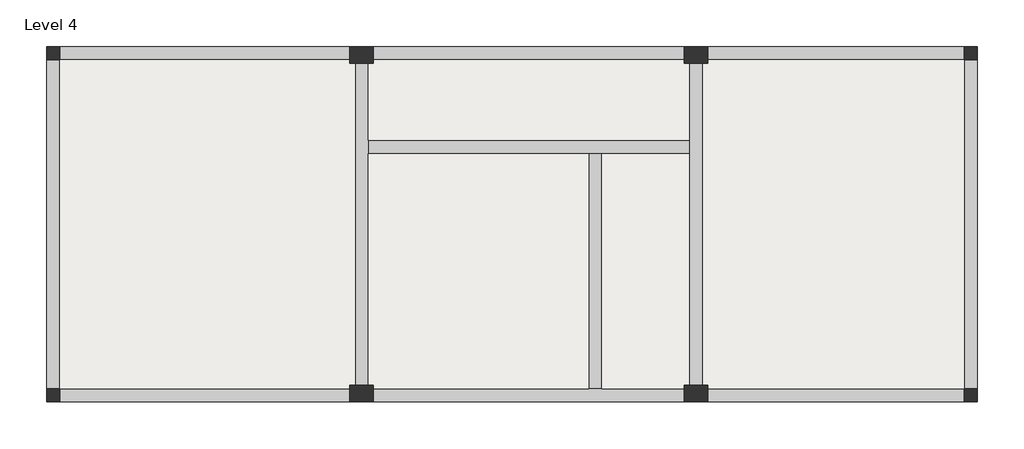
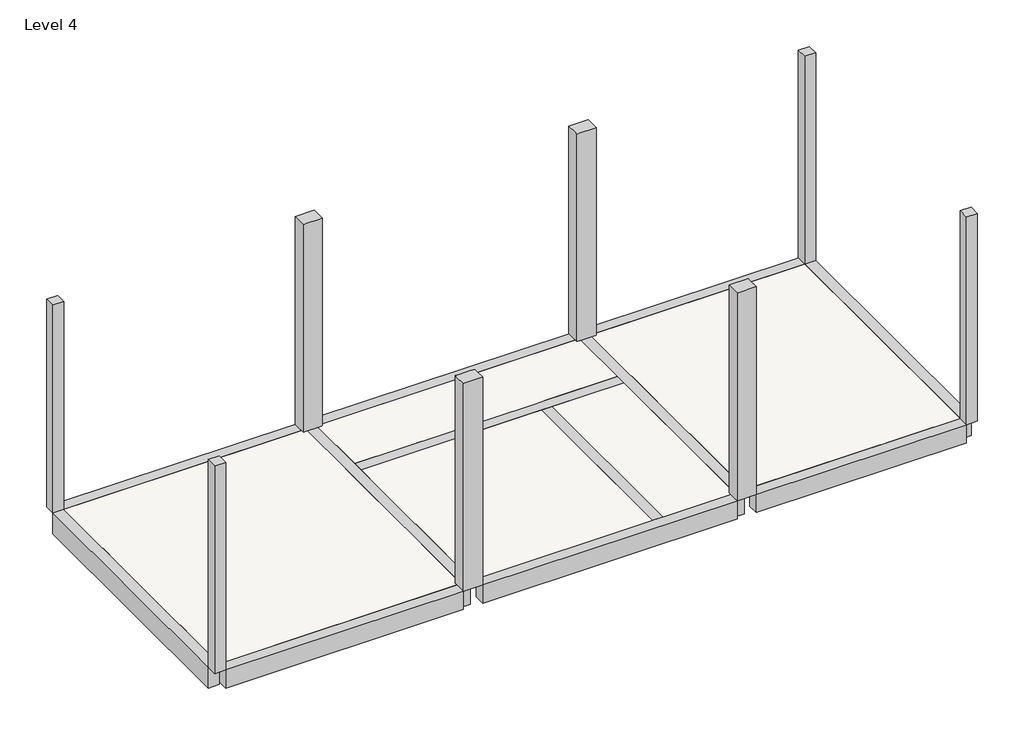
# One storey: 8 beams, 8 columns, 1 slab.
"""IFC4 building model written with IfcOpenShell, lengths in millimetres."""

from ifc_helpers import new_model, si_unit, origin, place, context, project, spatial, faceted_brep, element, save

model = new_model("IFC4")

# Units and contexts
model_context = context("Model", 3, world=origin())
ifc_project = project(units=[si_unit("LENGTHUNIT", "METRE", prefix="MILLI")], contexts=[model_context])

# Site, building, storey
site = spatial("IfcSite", under=ifc_project)
building = spatial("IfcBuilding", under=site)
storey = spatial("IfcBuildingStorey", under=building, Name="Level 4", Elevation=11800.0)

# Beams
placement = place(None, origin())
element("IfcBeam", 1, ObjectType="200x300", at=placement, inside=storey, context=model_context, shape_type="Brep", body=[
    faceted_brep([(-6151.8328064, 1922.2386726, 11800.0), (-6151.8328064, 1722.2386726, 11800.0), (-2869.5898832, 1722.2386726, 11800.0), (-2669.5898832, 1722.2386726, 11800.0), (-1369.5898832, 1722.2386726, 11800.0), (-1369.5898832, 1922.2386726, 11800.0), (-6151.8328064, 1722.2386726, 11700.0), (-6151.8328064, 1722.2386726, 11500.0), (-2869.5898832, 1722.2386726, 11500.0), (-2669.5898832, 1722.2386726, 11500.0), (-1369.5898832, 1722.2386726, 11500.0), (-1369.5898832, 1722.2386726, 11700.0), (-6151.8328064, 1922.2386726, 11500.0), (-1369.5898832, 1922.2386726, 11500.0), (-6151.8328064, 1922.2386726, 11700.0), (-1369.5898832, 1922.2386726, 11700.0)], [[[0, 1, 2, 3, 4, 5]], [[1, 6, 7, 8, 9, 10, 11, 4, 3, 2]], [[7, 12, 13, 10, 9, 8]], [[12, 14, 0, 5, 15, 13]], [[1, 0, 14, 12, 7, 6]], [[5, 4, 11, 10, 13, 15]]]),
])
element("IfcBeam", 2, ObjectType="200x300", at=placement, inside=storey, context=model_context, shape_type="Brep", body=[
    faceted_brep([(-2669.5898832, -1777.7613274, 11800.0), (-2869.5898832, -1777.7613274, 11800.0), (-2869.5898832, -1777.7613274, 11700.0), (-2869.5898832, -1777.7613274, 11500.0), (-2669.5898832, -1777.7613274, 11500.0), (-2669.5898832, -1777.7613274, 11700.0), (-2669.5898832, 1722.2386726, 11800.0), (-2869.5898832, 1722.2386726, 11800.0), (-2869.5898832, 1722.2386726, 11700.0), (-2869.5898832, 1722.2386726, 11500.0), (-2669.5898832, 1722.2386726, 11500.0), (-2669.5898832, 1722.2386726, 11700.0)], [[[0, 1, 2, 3, 4, 5]], [[1, 0, 6, 7]], [[3, 2, 1, 7, 8, 9]], [[4, 3, 9, 10]], [[0, 5, 4, 10, 11, 6]], [[7, 6, 11, 10, 9, 8]]]),
])
element("IfcBeam", 3, ObjectType="200x350", at=placement, inside=storey, context=model_context, shape_type="Brep", body=[
    faceted_brep([(2730.4101168, 3322.2386726, 11450.0), (2730.4101168, 3122.2386726, 11450.0), (-1094.5898832, 3122.2386726, 11450.0), (-1094.5898832, 3322.2386726, 11450.0), (2730.4101168, 3122.2386726, 11700.0), (2730.4101168, 3122.2386726, 11800.0), (-1094.5898832, 3122.2386726, 11800.0), (-1094.5898832, 3122.2386726, 11700.0), (2730.4101168, 3322.2386726, 11800.0), (-1094.5898832, 3322.2386726, 11800.0)], [[[0, 1, 2, 3]], [[1, 4, 5, 6, 7, 2]], [[8, 0, 3, 9]], [[5, 8, 9, 6]], [[1, 0, 8, 5, 4]], [[3, 2, 7, 6, 9]]]),
    faceted_brep([(-10751.8328064, 3322.2386726, 11450.0), (-10751.8328064, 3122.2386726, 11450.0), (-10751.8328064, 3122.2386726, 11700.0), (-10751.8328064, 3122.2386726, 11800.0), (-10751.8328064, 3322.2386726, 11800.0), (-6426.8328064, 3122.2386726, 11450.0), (-6426.8328064, 3322.2386726, 11450.0), (-6426.8328064, 3322.2386726, 11800.0), (-6426.8328064, 3122.2386726, 11800.0), (-6426.8328064, 3122.2386726, 11700.0)], [[[0, 1, 2, 3, 4]], [[5, 6, 7, 8, 9]], [[1, 0, 6, 5]], [[3, 2, 1, 5, 9, 8]], [[0, 4, 7, 6]], [[4, 3, 8, 7]]]),
    faceted_brep([(-6076.8328064, 3322.2386726, 11450.0), (-6076.8328064, 3122.2386726, 11450.0), (-6076.8328064, 3122.2386726, 11700.0), (-6076.8328064, 3122.2386726, 11800.0), (-6076.8328064, 3322.2386726, 11800.0), (-1444.5898832, 3122.2386726, 11450.0), (-1444.5898832, 3322.2386726, 11450.0), (-1444.5898832, 3322.2386726, 11800.0), (-1444.5898832, 3122.2386726, 11800.0), (-1444.5898832, 3122.2386726, 11700.0)], [[[0, 1, 2, 3, 4]], [[5, 6, 7, 8, 9]], [[1, 0, 6, 5]], [[3, 2, 1, 5, 9, 8]], [[0, 4, 7, 6]], [[4, 3, 8, 7]]]),
])
element("IfcBeam", 4, ObjectType="200x350", at=placement, inside=storey, context=model_context, shape_type="Brep", body=[
    faceted_brep([(-10751.8328064, -1977.7613274, 11450.0), (-10751.8328064, -1777.7613274, 11450.0), (-6426.8328064, -1777.7613274, 11450.0), (-6426.8328064, -1977.7613274, 11450.0), (-10751.8328064, -1777.7613274, 11700.0), (-10751.8328064, -1777.7613274, 11800.0), (-6426.8328064, -1777.7613274, 11800.0), (-6426.8328064, -1777.7613274, 11700.0), (-10751.8328064, -1977.7613274, 11800.0), (-6426.8328064, -1977.7613274, 11800.0)], [[[0, 1, 2, 3]], [[1, 4, 5, 6, 7, 2]], [[8, 0, 3, 9]], [[5, 8, 9, 6]], [[1, 0, 8, 5, 4]], [[3, 2, 7, 6, 9]]]),
    faceted_brep([(2730.4101168, -1977.7613274, 11450.0), (2730.4101168, -1777.7613274, 11450.0), (2730.4101168, -1777.7613274, 11700.0), (2730.4101168, -1777.7613274, 11800.0), (2730.4101168, -1977.7613274, 11800.0), (-1094.5898832, -1777.7613274, 11450.0), (-1094.5898832, -1977.7613274, 11450.0), (-1094.5898832, -1977.7613274, 11800.0), (-1094.5898832, -1777.7613274, 11800.0), (-1094.5898832, -1777.7613274, 11700.0)], [[[0, 1, 2, 3, 4]], [[5, 6, 7, 8, 9]], [[1, 0, 6, 5]], [[3, 2, 1, 5, 9, 8]], [[0, 4, 7, 6]], [[4, 3, 8, 7]]]),
    faceted_brep([(-1444.5898832, -1977.7613274, 11450.0), (-1444.5898832, -1777.7613274, 11450.0), (-1444.5898832, -1777.7613274, 11700.0), (-1444.5898832, -1777.7613274, 11800.0), (-1444.5898832, -1977.7613274, 11800.0), (-6076.8328064, -1777.7613274, 11450.0), (-6076.8328064, -1977.7613274, 11450.0), (-6076.8328064, -1977.7613274, 11800.0), (-6076.8328064, -1777.7613274, 11800.0), (-6076.8328064, -1777.7613274, 11700.0), (-2869.5898832, -1777.7613274, 11800.0), (-2669.5898832, -1777.7613274, 11800.0)], [[[0, 1, 2, 3, 4]], [[5, 6, 7, 8, 9]], [[1, 0, 6, 5]], [[3, 2, 1, 5, 9, 8, 10, 11]], [[0, 4, 7, 6]], [[4, 3, 11, 10, 8, 7]]]),
])
element("IfcBeam", 5, ObjectType="200x400", at=placement, inside=storey, context=model_context, shape_type="Brep", body=[
    faceted_brep([(2730.4101168, -1777.7613274, 11400.0), (2730.4101168, -1777.7613274, 11700.0), (2730.4101168, -1777.7613274, 11800.0), (2730.4101168, 3122.2386726, 11800.0), (2730.4101168, 3122.2386726, 11700.0), (2730.4101168, 3122.2386726, 11400.0), (2930.4101168, -1777.7613274, 11400.0), (2930.4101168, 3122.2386726, 11400.0), (2930.4101168, -1777.7613274, 11800.0), (2930.4101168, 3122.2386726, 11800.0)], [[[0, 1, 2, 3, 4, 5]], [[6, 0, 5, 7]], [[8, 6, 7, 9]], [[2, 8, 9, 3]], [[2, 1, 0, 6, 8]], [[5, 4, 3, 9, 7]]]),
])
element("IfcBeam", 6, ObjectType="200x400", at=placement, inside=storey, context=model_context, shape_type="Brep", body=[
    faceted_brep([(-10751.8328064, 3122.2386726, 11400.0), (-10751.8328064, 3122.2386726, 11700.0), (-10751.8328064, 3122.2386726, 11800.0), (-10751.8328064, -1777.7613274, 11800.0), (-10751.8328064, -1777.7613274, 11700.0), (-10751.8328064, -1777.7613274, 11400.0), (-10951.8328064, 3122.2386726, 11400.0), (-10951.8328064, -1777.7613274, 11400.0), (-10951.8328064, 3122.2386726, 11800.0), (-10951.8328064, -1777.7613274, 11800.0)], [[[0, 1, 2, 3, 4, 5]], [[6, 0, 5, 7]], [[8, 6, 7, 9]], [[2, 8, 9, 3]], [[2, 1, 0, 6, 8]], [[5, 4, 3, 9, 7]]]),
])
element("IfcBeam", 7, ObjectType="200x500", at=placement, inside=storey, context=model_context, shape_type="Brep", body=[
    faceted_brep([(-6151.8328064, -1727.7613274, 11800.0), (-6151.8328064, -1727.7613274, 11700.0), (-6151.8328064, -1727.7613274, 11300.0), (-6151.8328064, 3072.2386726, 11300.0), (-6151.8328064, 3072.2386726, 11700.0), (-6151.8328064, 3072.2386726, 11800.0), (-6151.8328064, 1922.2386726, 11800.0), (-6151.8328064, 1722.2386726, 11800.0), (-6351.8328064, -1727.7613274, 11800.0), (-6351.8328064, 3072.2386726, 11800.0), (-6351.8328064, -1727.7613274, 11300.0), (-6351.8328064, 3072.2386726, 11300.0), (-6351.8328064, -1727.7613274, 11700.0), (-6351.8328064, 3072.2386726, 11700.0)], [[[0, 1, 2, 3, 4, 5, 6, 7]], [[8, 0, 7, 6, 5, 9]], [[2, 10, 11, 3]], [[10, 12, 8, 9, 13, 11]], [[2, 1, 0, 8, 12, 10]], [[5, 4, 3, 11, 13, 9]]]),
])
element("IfcBeam", 8, ObjectType="200x500", at=placement, inside=storey, context=model_context, shape_type="Brep", body=[
    faceted_brep([(-1169.5898832, -1727.7613274, 11800.0), (-1169.5898832, -1727.7613274, 11700.0), (-1169.5898832, -1727.7613274, 11300.0), (-1169.5898832, 3072.2386726, 11300.0), (-1169.5898832, 3072.2386726, 11700.0), (-1169.5898832, 3072.2386726, 11800.0), (-1369.5898832, -1727.7613274, 11800.0), (-1369.5898832, 3072.2386726, 11800.0), (-1369.5898832, 1922.2386726, 11800.0), (-1369.5898832, 1722.2386726, 11800.0), (-1369.5898832, -1727.7613274, 11300.0), (-1369.5898832, 3072.2386726, 11300.0), (-1369.5898832, -1727.7613274, 11700.0), (-1369.5898832, 3072.2386726, 11700.0)], [[[0, 1, 2, 3, 4, 5]], [[6, 0, 5, 7, 8, 9]], [[2, 10, 11, 3]], [[10, 12, 6, 9, 8, 7, 13, 11]], [[2, 1, 0, 6, 12, 10]], [[5, 4, 3, 11, 13, 7]]]),
])

# Columns
element("IfcColumn", 9, ObjectType="C", at=placement, inside=storey, context=model_context, shape_type="Brep", body=[
    faceted_brep([(-10751.8328064, 3322.2386726, 11800.0), (-10751.8328064, 3122.2386726, 11800.0), (-10951.8328064, 3122.2386726, 11800.0), (-10951.8328064, 3322.2386726, 11800.0), (-10751.8328064, 3322.2386726, 15800.0), (-10751.8328064, 3122.2386726, 15800.0), (-10751.8328064, 3122.2386726, 15450.0), (-10751.8328064, 3122.2386726, 15400.0), (-10751.8328064, 3322.2386726, 15450.0), (-10951.8328064, 3122.2386726, 15800.0), (-10951.8328064, 3122.2386726, 15400.0), (-10951.8328064, 3322.2386726, 15800.0)], [[[0, 1, 2, 3]], [[4, 5, 6, 7, 1, 0, 8]], [[5, 9, 10, 2, 1, 7, 6]], [[9, 11, 3, 2, 10]], [[11, 4, 8, 0, 3]], [[4, 11, 9, 5]]]),
])
element("IfcColumn", 10, ObjectType="C", at=placement, inside=storey, context=model_context, shape_type="Brep", body=[
    faceted_brep([(-10951.8328064, -1777.7613274, 11800.0), (-10751.8328064, -1777.7613274, 11800.0), (-10751.8328064, -1977.7613274, 11800.0), (-10951.8328064, -1977.7613274, 11800.0), (-10951.8328064, -1777.7613274, 15800.0), (-10751.8328064, -1777.7613274, 15800.0), (-10751.8328064, -1777.7613274, 15450.0), (-10751.8328064, -1777.7613274, 15400.0), (-10951.8328064, -1777.7613274, 15400.0), (-10751.8328064, -1977.7613274, 15800.0), (-10751.8328064, -1977.7613274, 15450.0), (-10951.8328064, -1977.7613274, 15800.0)], [[[0, 1, 2, 3]], [[4, 5, 6, 7, 1, 0, 8]], [[5, 9, 10, 2, 1, 7, 6]], [[9, 11, 3, 2, 10]], [[11, 4, 8, 0, 3]], [[4, 11, 9, 5]]]),
])
element("IfcColumn", 11, ObjectType="C", at=placement, inside=storey, context=model_context, shape_type="Brep", body=[
    faceted_brep([(2730.4101168, -1977.7613274, 11800.0), (2730.4101168, -1777.7613274, 11800.0), (2930.4101168, -1777.7613274, 11800.0), (2930.4101168, -1977.7613274, 11800.0), (2730.4101168, -1977.7613274, 15800.0), (2730.4101168, -1777.7613274, 15800.0), (2730.4101168, -1777.7613274, 15450.0), (2730.4101168, -1777.7613274, 15400.0), (2730.4101168, -1977.7613274, 15450.0), (2930.4101168, -1777.7613274, 15800.0), (2930.4101168, -1777.7613274, 15400.0), (2930.4101168, -1977.7613274, 15800.0)], [[[0, 1, 2, 3]], [[4, 5, 6, 7, 1, 0, 8]], [[5, 9, 10, 2, 1, 7, 6]], [[9, 11, 3, 2, 10]], [[11, 4, 8, 0, 3]], [[4, 11, 9, 5]]]),
])
element("IfcColumn", 12, ObjectType="C", at=placement, inside=storey, context=model_context, shape_type="Brep", body=[
    faceted_brep([(2930.4101168, 3122.2386726, 11800.0), (2730.4101168, 3122.2386726, 11800.0), (2730.4101168, 3322.2386726, 11800.0), (2930.4101168, 3322.2386726, 11800.0), (2930.4101168, 3122.2386726, 15800.0), (2730.4101168, 3122.2386726, 15800.0), (2730.4101168, 3122.2386726, 15450.0), (2730.4101168, 3122.2386726, 15400.0), (2930.4101168, 3122.2386726, 15400.0), (2730.4101168, 3322.2386726, 15800.0), (2730.4101168, 3322.2386726, 15450.0), (2930.4101168, 3322.2386726, 15800.0)], [[[0, 1, 2, 3]], [[4, 5, 6, 7, 1, 0, 8]], [[5, 9, 10, 2, 1, 7, 6]], [[9, 11, 3, 2, 10]], [[11, 4, 8, 0, 3]], [[4, 11, 9, 5]]]),
])
element("IfcColumn", 13, ObjectType="C", at=placement, inside=storey, context=model_context, shape_type="Brep", body=[
    faceted_brep([(-1444.5898832, -1727.7613274, 11800.0), (-1094.5898832, -1727.7613274, 11800.0), (-1094.5898832, -1977.7613274, 11800.0), (-1444.5898832, -1977.7613274, 11800.0), (-1444.5898832, -1727.7613274, 15800.0), (-1369.5898832, -1727.7613274, 15800.0), (-1169.5898832, -1727.7613274, 15800.0), (-1094.5898832, -1727.7613274, 15800.0), (-1094.5898832, -1727.7613274, 15700.0), (-1444.5898832, -1727.7613274, 15700.0), (-1094.5898832, -1777.7613274, 15800.0), (-1094.5898832, -1977.7613274, 15800.0), (-1094.5898832, -1977.7613274, 15450.0), (-1444.5898832, -1977.7613274, 15800.0), (-1444.5898832, -1977.7613274, 15450.0), (-1444.5898832, -1777.7613274, 15800.0)], [[[0, 1, 2, 3]], [[4, 5, 6, 7, 8, 1, 0, 9]], [[7, 10, 11, 12, 2, 1, 8]], [[11, 13, 14, 3, 2, 12]], [[13, 15, 4, 9, 0, 3, 14]], [[4, 15, 13, 11, 10, 7, 6, 5]]]),
])
element("IfcColumn", 14, ObjectType="C", at=placement, inside=storey, context=model_context, shape_type="Brep", body=[
    faceted_brep([(-6426.8328064, -1727.7613274, 11800.0), (-6076.8328064, -1727.7613274, 11800.0), (-6076.8328064, -1977.7613274, 11800.0), (-6426.8328064, -1977.7613274, 11800.0), (-6426.8328064, -1727.7613274, 15800.0), (-6351.8328064, -1727.7613274, 15800.0), (-6151.8328064, -1727.7613274, 15800.0), (-6076.8328064, -1727.7613274, 15800.0), (-6076.8328064, -1727.7613274, 15700.0), (-6426.8328064, -1727.7613274, 15700.0), (-6076.8328064, -1777.7613274, 15800.0), (-6076.8328064, -1977.7613274, 15800.0), (-6076.8328064, -1977.7613274, 15450.0), (-6426.8328064, -1977.7613274, 15800.0), (-6426.8328064, -1977.7613274, 15450.0), (-6426.8328064, -1777.7613274, 15800.0)], [[[0, 1, 2, 3]], [[4, 5, 6, 7, 8, 1, 0, 9]], [[7, 10, 11, 12, 2, 1, 8]], [[11, 13, 14, 3, 2, 12]], [[13, 15, 4, 9, 0, 3, 14]], [[4, 15, 13, 11, 10, 7, 6, 5]]]),
])
element("IfcColumn", 15, ObjectType="C", at=placement, inside=storey, context=model_context, shape_type="Brep", body=[
    faceted_brep([(-6076.8328064, 3072.2386726, 11800.0), (-6426.8328064, 3072.2386726, 11800.0), (-6426.8328064, 3322.2386726, 11800.0), (-6076.8328064, 3322.2386726, 11800.0), (-6076.8328064, 3072.2386726, 15800.0), (-6151.8328064, 3072.2386726, 15800.0), (-6351.8328064, 3072.2386726, 15800.0), (-6426.8328064, 3072.2386726, 15800.0), (-6426.8328064, 3072.2386726, 15700.0), (-6076.8328064, 3072.2386726, 15700.0), (-6426.8328064, 3122.2386726, 15800.0), (-6426.8328064, 3322.2386726, 15800.0), (-6426.8328064, 3322.2386726, 15450.0), (-6076.8328064, 3322.2386726, 15800.0), (-6076.8328064, 3322.2386726, 15450.0), (-6076.8328064, 3122.2386726, 15800.0)], [[[0, 1, 2, 3]], [[4, 5, 6, 7, 8, 1, 0, 9]], [[7, 10, 11, 12, 2, 1, 8]], [[11, 13, 14, 3, 2, 12]], [[13, 15, 4, 9, 0, 3, 14]], [[4, 15, 13, 11, 10, 7, 6, 5]]]),
])
element("IfcColumn", 16, ObjectType="C", at=placement, inside=storey, context=model_context, shape_type="Brep", body=[
    faceted_brep([(-1094.5898832, 3072.2386726, 11800.0), (-1444.5898832, 3072.2386726, 11800.0), (-1444.5898832, 3322.2386726, 11800.0), (-1094.5898832, 3322.2386726, 11800.0), (-1094.5898832, 3072.2386726, 15800.0), (-1169.5898832, 3072.2386726, 15800.0), (-1369.5898832, 3072.2386726, 15800.0), (-1444.5898832, 3072.2386726, 15800.0), (-1444.5898832, 3072.2386726, 15700.0), (-1094.5898832, 3072.2386726, 15700.0), (-1444.5898832, 3122.2386726, 15800.0), (-1444.5898832, 3322.2386726, 15800.0), (-1444.5898832, 3322.2386726, 15450.0), (-1094.5898832, 3322.2386726, 15800.0), (-1094.5898832, 3322.2386726, 15450.0), (-1094.5898832, 3122.2386726, 15800.0)], [[[0, 1, 2, 3]], [[4, 5, 6, 7, 8, 1, 0, 9]], [[7, 10, 11, 12, 2, 1, 8]], [[11, 13, 14, 3, 2, 12]], [[13, 15, 4, 9, 0, 3, 14]], [[4, 15, 13, 11, 10, 7, 6, 5]]]),
])

# Slab
element("IfcSlab", 17, ObjectType="Hs (100)", at=placement, inside=storey, context=model_context, shape_type="Brep", body=[
    faceted_brep([(-6426.8328064, 3122.2386726, 11700.0), (-6426.8328064, 3072.2386726, 11700.0), (-6351.8328064, 3072.2386726, 11700.0), (-6351.8328064, 1922.2386726, 11700.0), (-6351.8328064, 1722.2386726, 11700.0), (-6351.8328064, -1727.7613274, 11700.0), (-6426.8328064, -1727.7613274, 11700.0), (-6426.8328064, -1777.7613274, 11700.0), (-10751.8328064, -1777.7613274, 11700.0), (-10751.8328064, 3122.2386726, 11700.0), (-6426.8328064, 3072.2386726, 11800.0), (-6426.8328064, 3122.2386726, 11800.0), (-10751.8328064, 3122.2386726, 11800.0), (-10751.8328064, -1777.7613274, 11800.0), (-6426.8328064, -1777.7613274, 11800.0), (-6426.8328064, -1727.7613274, 11800.0), (-6351.8328064, -1727.7613274, 11800.0), (-6351.8328064, 1722.2386726, 11800.0), (-6351.8328064, 1922.2386726, 11800.0), (-6351.8328064, 3072.2386726, 11800.0)], [[[0, 1, 2, 3, 4, 5, 6, 7, 8, 9]], [[10, 11, 12, 13, 14, 15, 16, 17, 18, 19]], [[11, 0, 9, 12]], [[7, 14, 13, 8]], [[15, 6, 5, 16]], [[6, 15, 14, 7]], [[1, 10, 19, 2]], [[10, 1, 0, 11]], [[9, 8, 13, 12]], [[16, 5, 4, 3, 2, 19, 18, 17]]]),
    faceted_brep([(-6076.8328064, 3072.2386726, 11700.0), (-6076.8328064, 3122.2386726, 11700.0), (-1444.5898832, 3122.2386726, 11700.0), (-1444.5898832, 3072.2386726, 11700.0), (-1369.5898832, 3072.2386726, 11700.0), (-1369.5898832, 1922.2386726, 11700.0), (-2669.5898832, 1922.2386726, 11700.0), (-2869.5898832, 1922.2386726, 11700.0), (-6151.8328064, 1922.2386726, 11700.0), (-6151.8328064, 3072.2386726, 11700.0), (-1444.5898832, 3072.2386726, 11800.0), (-1444.5898832, 3122.2386726, 11800.0), (-6076.8328064, 3122.2386726, 11800.0), (-6076.8328064, 3072.2386726, 11800.0), (-6151.8328064, 3072.2386726, 11800.0), (-6151.8328064, 1922.2386726, 11800.0), (-2869.5898832, 1922.2386726, 11800.0), (-2669.5898832, 1922.2386726, 11800.0), (-1369.5898832, 1922.2386726, 11800.0), (-1369.5898832, 3072.2386726, 11800.0)], [[[0, 1, 2, 3, 4, 5, 6, 7, 8, 9]], [[10, 11, 12, 13, 14, 15, 16, 17, 18, 19]], [[2, 1, 12, 11]], [[13, 0, 9, 14]], [[0, 13, 12, 1]], [[3, 10, 19, 4]], [[10, 3, 2, 11]], [[14, 9, 8, 15]], [[4, 19, 18, 5]], [[15, 8, 7, 6, 5, 18, 17, 16]]]),
    faceted_brep([(-1094.5898832, 3072.2386726, 11700.0), (-1094.5898832, 3122.2386726, 11700.0), (2730.4101168, 3122.2386726, 11700.0), (2730.4101168, -1777.7613274, 11700.0), (-1094.5898832, -1777.7613274, 11700.0), (-1094.5898832, -1727.7613274, 11700.0), (-1169.5898832, -1727.7613274, 11700.0), (-1169.5898832, 1722.2386726, 11700.0), (-1169.5898832, 1922.2386726, 11700.0), (-1169.5898832, 3072.2386726, 11700.0), (-1094.5898832, 3122.2386726, 11800.0), (-1094.5898832, 3072.2386726, 11800.0), (-1169.5898832, 3072.2386726, 11800.0), (-1169.5898832, 1922.2386726, 11800.0), (-1169.5898832, 1722.2386726, 11800.0), (-1169.5898832, -1727.7613274, 11800.0), (-1094.5898832, -1727.7613274, 11800.0), (-1094.5898832, -1777.7613274, 11800.0), (2730.4101168, -1777.7613274, 11800.0), (2730.4101168, 3122.2386726, 11800.0)], [[[0, 1, 2, 3, 4, 5, 6, 7, 8, 9]], [[10, 11, 12, 13, 14, 15, 16, 17, 18, 19]], [[1, 10, 19, 2]], [[4, 3, 18, 17]], [[2, 19, 18, 3]], [[5, 16, 15, 6]], [[16, 5, 4, 17]], [[11, 0, 9, 12]], [[0, 11, 10, 1]], [[6, 15, 14, 13, 12, 9, 8, 7]]]),
    faceted_brep([(-1444.5898832, -1727.7613274, 11700.0), (-1444.5898832, -1777.7613274, 11700.0), (-2669.5898832, -1777.7613274, 11700.0), (-2669.5898832, 1722.2386726, 11700.0), (-1369.5898832, 1722.2386726, 11700.0), (-1369.5898832, -1727.7613274, 11700.0), (-1444.5898832, -1777.7613274, 11800.0), (-1444.5898832, -1727.7613274, 11800.0), (-1369.5898832, -1727.7613274, 11800.0), (-1369.5898832, 1722.2386726, 11800.0), (-2669.5898832, 1722.2386726, 11800.0), (-2669.5898832, -1777.7613274, 11800.0)], [[[0, 1, 2, 3, 4, 5]], [[6, 7, 8, 9, 10, 11]], [[1, 6, 11, 2]], [[7, 0, 5, 8]], [[0, 7, 6, 1]], [[8, 5, 4, 9]], [[9, 4, 3, 10]], [[3, 2, 11, 10]]]),
    faceted_brep([(-6076.8328064, -1777.7613274, 11700.0), (-6076.8328064, -1727.7613274, 11700.0), (-6151.8328064, -1727.7613274, 11700.0), (-6151.8328064, 1722.2386726, 11700.0), (-2869.5898832, 1722.2386726, 11700.0), (-2869.5898832, -1777.7613274, 11700.0), (-6076.8328064, -1727.7613274, 11800.0), (-6076.8328064, -1777.7613274, 11800.0), (-2869.5898832, -1777.7613274, 11800.0), (-2869.5898832, 1722.2386726, 11800.0), (-6151.8328064, 1722.2386726, 11800.0), (-6151.8328064, -1727.7613274, 11800.0)], [[[0, 1, 2, 3, 4, 5]], [[6, 7, 8, 9, 10, 11]], [[7, 0, 5, 8]], [[1, 6, 11, 2]], [[6, 1, 0, 7]], [[2, 11, 10, 3]], [[3, 10, 9, 4]], [[5, 4, 9, 8]]]),
])

save(model, "model.ifc")
